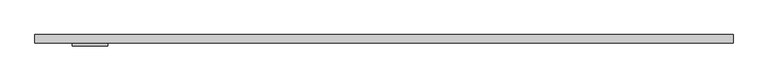
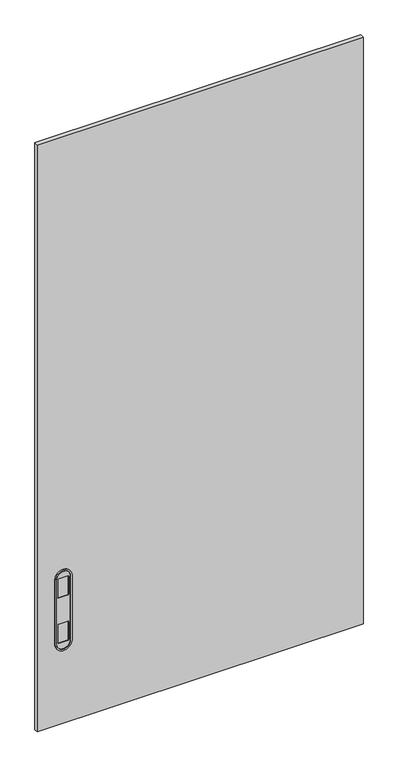
"""IFC4 building model written with IfcOpenShell, lengths in millimetres: furniture geometry."""

from ifc_helpers import new_model, si_unit, point, frame, frame_2d, origin, place, context, project, spatial, polyline, circle_curve, trimmed, segment, composite_curve, outline, extrude, source, transform, mapped, element, save


def furniture_a275ec6c(model_context):
    return source(origin(), model_context, "Body", "SweptSolid", [
        extrude(outline(polyline([(1066.8, -50.8000015), (0.0, -50.8000015), (0.0, -38.1), (1066.8, -38.1), (1066.8, -50.8000015)])), frame((0.0, 0.0, 139.700003), z_axis=(0.0, 0.0, 1.0), x_axis=(1.0, 0.0, 0.0)), (0.0, 0.0, 1.0), 2031.999997),
        extrude(outline(composite_curve([segment(polyline([(422.2598556, 106.5021971), (646.294894, 106.5021971)]), True, "CONTINUOUS"), segment(trimmed(circle_curve(frame_2d((646.294894, 84.3279991)), 22.1741981), [point((646.294894, 106.5021971))], [point((646.294894, 62.153801))], False, "CARTESIAN"), True, "CONTINUOUS"), segment(polyline([(646.294894, 62.153801), (422.2598556, 62.153801)]), True, "CONTINUOUS"), segment(trimmed(circle_curve(frame_2d((422.2598556, 84.3279991)), 22.1741981), [point((422.2598556, 62.153801))], [point((422.2598556, 106.5021971))], False, "CARTESIAN"), True, "CONTINUOUS")], self_intersect=False), holes=[composite_curve([segment(trimmed(circle_curve(frame_2d((486.4365488, 98.9330054)), 2.54), [point((488.9765488, 98.9330054))], [point((486.4365488, 101.4730054))], True, "CARTESIAN"), True, "CONTINUOUS"), segment(polyline([(486.4365488, 101.4730054), (425.8945005, 101.4730054)]), True, "CONTINUOUS"), segment(trimmed(circle_curve(frame_2d((425.8945005, 98.9330054)), 2.54), [point((425.8945005, 101.4730054))], [point((423.3545005, 98.9330054))], True, "CARTESIAN"), True, "CONTINUOUS"), segment(polyline([(423.3545005, 98.9330054), (423.3545005, 69.7230018)]), True, "CONTINUOUS"), segment(trimmed(circle_curve(frame_2d((425.8945005, 69.7230018)), 2.54), [point((423.3545005, 69.7230018))], [point((425.8945005, 67.1830018))], True, "CARTESIAN"), True, "CONTINUOUS"), segment(polyline([(425.8945005, 67.1830018), (486.4365488, 67.1830018)]), True, "CONTINUOUS"), segment(trimmed(circle_curve(frame_2d((486.4365488, 69.7230018)), 2.54), [point((486.4365488, 67.1830018))], [point((488.9765488, 69.7230018))], True, "CARTESIAN"), True, "CONTINUOUS"), segment(polyline([(488.9765488, 69.7230018), (488.9765488, 98.9330054)]), True, "CONTINUOUS")], self_intersect=False), composite_curve([segment(trimmed(circle_curve(frame_2d((642.9744503, 98.9330054)), 2.54), [point((645.5144503, 98.9330054))], [point((642.9744503, 101.4730054))], True, "CARTESIAN"), True, "CONTINUOUS"), segment(polyline([(642.9744503, 101.4730054), (582.432402, 101.4730054)]), True, "CONTINUOUS"), segment(trimmed(circle_curve(frame_2d((582.432402, 98.9330054)), 2.54), [point((582.432402, 101.4730054))], [point((579.892402, 98.9330054))], True, "CARTESIAN"), True, "CONTINUOUS"), segment(polyline([(579.892402, 98.9330054), (579.892402, 69.7230018)]), True, "CONTINUOUS"), segment(trimmed(circle_curve(frame_2d((582.432402, 69.7230018)), 2.54), [point((579.892402, 69.7230018))], [point((582.432402, 67.1830018))], True, "CARTESIAN"), True, "CONTINUOUS"), segment(polyline([(582.432402, 67.1830018), (642.9744503, 67.1830018)]), True, "CONTINUOUS"), segment(trimmed(circle_curve(frame_2d((642.9744503, 69.7230018)), 2.54), [point((642.9744503, 67.1830018))], [point((645.5144503, 69.7230018))], True, "CARTESIAN"), True, "CONTINUOUS"), segment(polyline([(645.5144503, 69.7230018), (645.5144503, 98.9330054)]), True, "CONTINUOUS")], self_intersect=False)]), frame((0.0, -52.8320015, 0.0), z_axis=(0.0, 1.0, 0.0), x_axis=(0.0, 0.0, 1.0)), (0.0, 0.0, 1.0), 2.032),
        extrude(outline(composite_curve([segment(trimmed(circle_curve(frame_2d((646.294894, 84.3279991)), 27.2541981), [point((646.294894, 111.5821971))], [point((646.294894, 57.073801))], False, "CARTESIAN"), True, "CONTINUOUS"), segment(polyline([(646.294894, 57.073801), (422.2598556, 57.073801)]), True, "CONTINUOUS"), segment(trimmed(circle_curve(frame_2d((422.2598556, 84.3279991)), 27.2541981), [point((422.2598556, 57.073801))], [point((422.2598556, 111.5821971))], False, "CARTESIAN"), True, "CONTINUOUS"), segment(polyline([(422.2598556, 111.5821971), (646.294894, 111.5821971)]), True, "CONTINUOUS")], self_intersect=False), holes=[composite_curve([segment(polyline([(646.294894, 106.5021971), (422.2598556, 106.5021971)]), True, "CONTINUOUS"), segment(trimmed(circle_curve(frame_2d((422.2598556, 84.3279991)), 22.1741981), [point((422.2598556, 106.5021971))], [point((422.2598556, 62.153801))], True, "CARTESIAN"), True, "CONTINUOUS"), segment(polyline([(422.2598556, 62.153801), (646.294894, 62.153801)]), True, "CONTINUOUS"), segment(trimmed(circle_curve(frame_2d((646.294894, 84.3279991)), 22.1741981), [point((646.294894, 62.153801))], [point((646.294894, 106.5021971))], True, "CARTESIAN"), True, "CONTINUOUS")], self_intersect=False)]), frame((0.0, -55.1180015, 0.0), z_axis=(0.0, 1.0, 0.0), x_axis=(0.0, 0.0, 1.0)), (0.0, 0.0, 1.0), 4.318),
    ])


if __name__ == "__main__":
    model = new_model("IFC4")
    model_context = context("Model", 3, world=origin())
    ifc_project = project(units=[si_unit("LENGTHUNIT", "METRE", prefix="MILLI")], contexts=[model_context])
    site = spatial("IfcSite", under=ifc_project)
    building = spatial("IfcBuilding", under=site)
    placement = place(None, origin())
    furniture_shape = furniture_a275ec6c(model_context)
    element("IfcFurniture", 1, at=placement, inside=building, context=model_context, shape_type="MappedRepresentation", body=[
        mapped(furniture_shape, transform((0.0, 0.0, 0.0), x_axis=(1.0, 0.0, 0.0), y_axis=(0.0, 1.0, 0.0), z_axis=(0.0, 0.0, 1.0))),
    ])
    save(model, "model.ifc")
